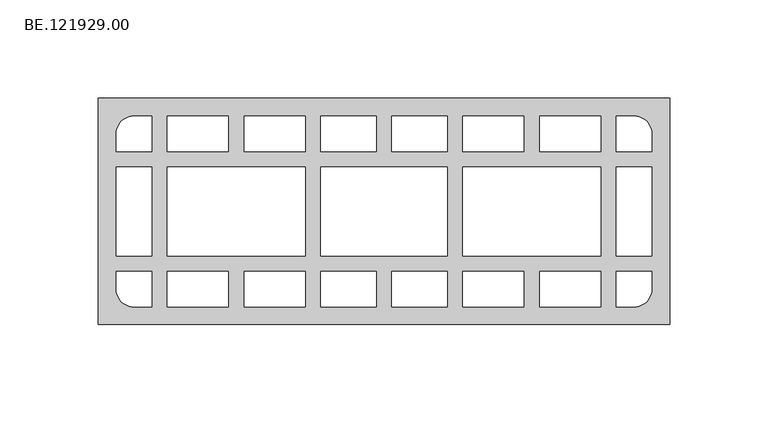
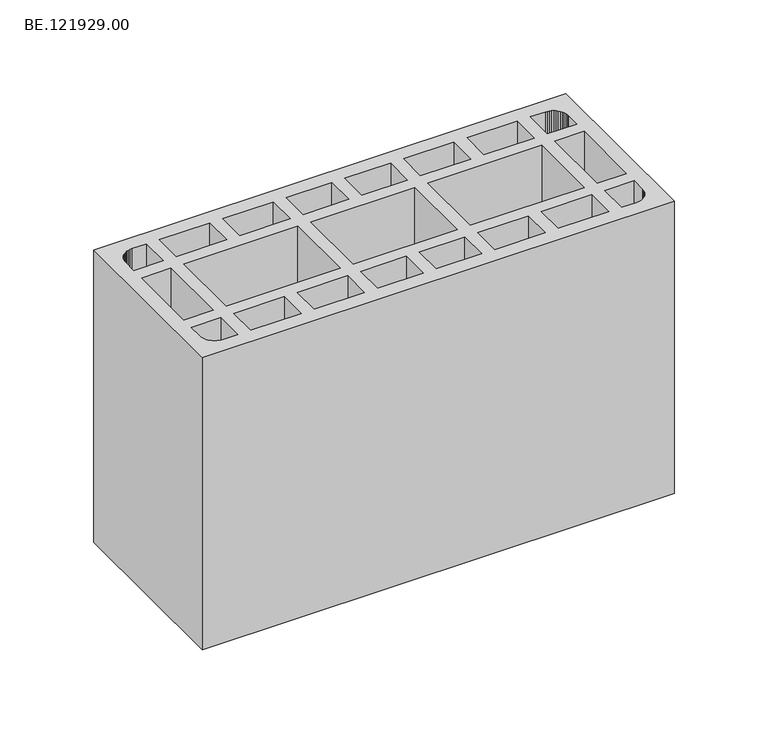
"""IFC4 building model written with IfcOpenShell, lengths in millimetres: proxy geometry, BE.121929.00."""

from ifc_helpers import new_model, si_unit, origin, origin_with_axes, place, context, project, spatial, polyline, outline, extrude, source, transform, mapped, element, save


def be_121929_00_88e789b1(model_context):
    return source(origin(), model_context, "Body", "SweptSolid", [
        extrude(outline(polyline([(295.0, 57.5034668), (295.0, -57.5034668), (5.0, -57.5034668), (5.0, 57.5034668), (295.0, 57.5034668)]), holes=[polyline([(71.0052734, 48.4993652), (39.9932129, 48.4993652), (39.9932129, 30.5097656), (71.0052734, 30.5097656), (71.0052734, 48.4993652)]), polyline([(110.0075439, 48.4993652), (79.0047852, 48.4993652), (79.0047852, 30.5097656), (110.0075439, 30.5097656), (110.0075439, 48.4993652)]), polyline([(145.9960449, 48.4993652), (118.0070557, 48.4993652), (118.0070557, 30.5097656), (145.9960449, 30.5097656), (145.9960449, 48.4993652)]), polyline([(182.0031494, 22.5009521), (118.0070557, 22.5009521), (118.0070557, -22.5009521), (182.0031494, -22.5009521), (182.0031494, 22.5009521)]), polyline([(182.0031494, 30.5097656), (182.0031494, 48.4993652), (153.9955566, 48.4993652), (153.9955566, 30.5097656), (182.0031494, 30.5097656)]), polyline([(110.0075439, 22.5009521), (39.9932129, 22.5009521), (39.9932129, -22.5009521), (110.0075439, -22.5009521), (110.0075439, 22.5009521)]), polyline([(71.0052734, -48.4993652), (71.0052734, -30.5004639), (39.9932129, -30.5004639), (39.9932129, -48.4993652), (71.0052734, -48.4993652)]), polyline([(110.0075439, -48.4993652), (110.0075439, -30.5004639), (79.0047852, -30.5004639), (79.0047852, -48.4993652), (110.0075439, -48.4993652)]), polyline([(145.9960449, -48.4993652), (145.9960449, -30.5004639), (118.0070557, -30.5004639), (118.0070557, -48.4993652), (145.9960449, -48.4993652)]), polyline([(182.0031494, -30.5004639), (153.9955566, -30.5004639), (153.9955566, -48.4993652), (182.0031494, -48.4993652), (182.0031494, -30.5004639)]), polyline([(14.0125, 22.5009521), (14.0125, -22.5009521), (32.0020996, -22.5009521), (32.0020996, 22.5009521), (14.0125, 22.5009521)]), polyline([(14.0041016, 30.5004639), (32.0030029, 30.5004639), (32.0030029, 48.4993652), (23.0082031, 48.4993652), (21.8268799, 48.4249512), (20.6734619, 48.1924072), (19.557251, 47.8203369), (18.5061523, 47.2994385), (17.5294678, 46.6390137), (16.636499, 45.8669678), (15.8644531, 44.9833008), (15.2133301, 43.9973145), (14.6924316, 42.9462158), (14.3110596, 41.8300049), (14.0785156, 40.6765869), (14.0041016, 39.5045654), (14.0041016, 30.5004639)]), polyline([(14.0041016, -30.5004639), (14.0041016, -39.5045654), (14.0785156, -40.6765869), (14.3110596, -41.8300049), (14.6924316, -42.9462158), (15.2133301, -43.9973145), (15.8644531, -44.9833008), (16.636499, -45.8669678), (17.5294678, -46.6390137), (18.5061523, -47.2994385), (19.557251, -47.8203369), (20.6734619, -48.1924072), (21.8268799, -48.4249512), (23.0082031, -48.4993652), (32.0030029, -48.4993652), (32.0030029, -30.5004639), (14.0041016, -30.5004639)]), polyline([(229.0049316, 48.4993652), (229.0049316, 30.5097656), (260.0169922, 30.5097656), (260.0169922, 48.4993652), (229.0049316, 48.4993652)]), polyline([(190.0026611, 48.4993652), (190.0026611, 30.5097656), (221.0054199, 30.5097656), (221.0054199, 48.4993652), (190.0026611, 48.4993652)]), polyline([(190.0026611, 22.5009521), (190.0026611, -22.5009521), (260.0169922, -22.5009521), (260.0169922, 22.5009521), (190.0026611, 22.5009521)]), polyline([(229.0049316, -48.4993652), (260.0169922, -48.4993652), (260.0169922, -30.5004639), (229.0049316, -30.5004639), (229.0049316, -48.4993652)]), polyline([(190.0026611, -48.4993652), (221.0054199, -48.4993652), (221.0054199, -30.5004639), (190.0026611, -30.5004639), (190.0026611, -48.4993652)]), polyline([(285.9977051, 22.5009521), (268.0081055, 22.5009521), (268.0081055, -22.5009521), (285.9977051, -22.5009521), (285.9977051, 22.5009521)]), polyline([(286.0061035, 30.5004639), (286.0061035, 39.5045654), (285.9316895, 40.6765869), (285.6991455, 41.8300049), (285.3177734, 42.9462158), (284.796875, 43.9973145), (284.145752, 44.9833008), (283.3737061, 45.8669678), (282.4807373, 46.6390137), (281.5040527, 47.2994385), (280.4529541, 47.8203369), (279.3367432, 48.1924072), (278.1833252, 48.4249512), (277.002002, 48.4993652), (268.0072021, 48.4993652), (268.0072021, 30.5004639), (286.0061035, 30.5004639)]), polyline([(286.0061035, -30.5004639), (268.0072021, -30.5004639), (268.0072021, -48.4993652), (277.002002, -48.4993652), (278.1833252, -48.4249512), (279.3367432, -48.1924072), (280.4529541, -47.8203369), (281.5040527, -47.2994385), (282.4807373, -46.6390137), (283.3737061, -45.8669678), (284.145752, -44.9833008), (284.796875, -43.9973145), (285.3177734, -42.9462158), (285.6991455, -41.8300049), (285.9316895, -40.6765869), (286.0061035, -39.5045654), (286.0061035, -30.5004639)])]), origin_with_axes(), (0.0, 0.0, 1.0), 190.0),
    ])


if __name__ == "__main__":
    model = new_model("IFC4")
    model_context = context("Model", 3, world=origin())
    ifc_project = project(units=[si_unit("LENGTHUNIT", "METRE", prefix="MILLI")], contexts=[model_context])
    site = spatial("IfcSite", under=ifc_project)
    building = spatial("IfcBuilding", under=site)
    placement = place(None, origin())
    be_121929_00_shape = be_121929_00_88e789b1(model_context)
    element("IfcBuildingElementProxy", 1, Name="BE.121929.00", ObjectType="BE.121929.00", at=placement, inside=building, context=model_context, shape_type="MappedRepresentation", body=[
        mapped(be_121929_00_shape, transform((0.0, 0.0, 0.0), x_axis=(1.0, 0.0, 0.0), y_axis=(0.0, 1.0, 0.0), z_axis=(0.0, 0.0, 1.0))),
    ])
    save(model, "model.ifc")
